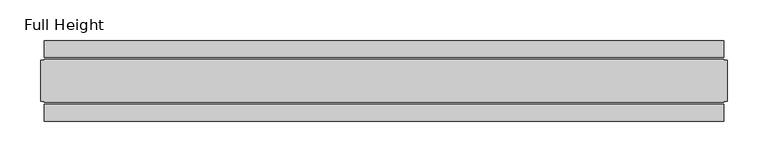
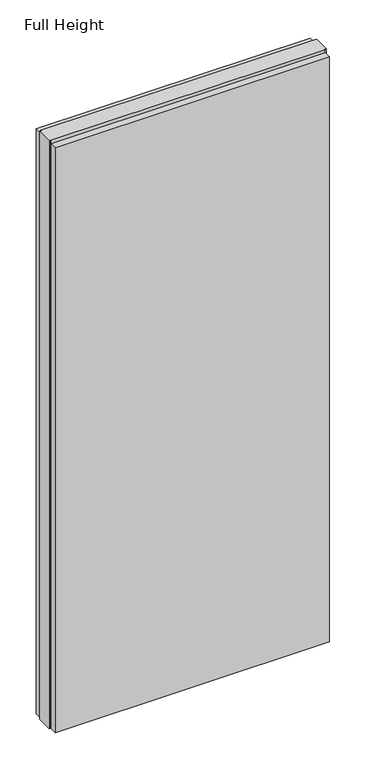
"""IFC4 building model written with IfcOpenShell, lengths in millimetres: plate geometry, Full Height."""

from ifc_helpers import new_model, si_unit, origin, origin_with_axes, place, context, project, spatial, polyline, outline, extrude, source, transform, mapped, element, save


def full_height_bb6631aa(model_context):
    return source(origin(), model_context, "Body", "SweptSolid", [
        extrude(outline(polyline([(418.4779086, -28.956), (418.4779086, -49.53), (-418.4779086, -49.53), (-418.4779086, -28.956), (418.4779086, -28.956)])), origin_with_axes(), (0.0, 0.0, 1.0), 1889.252),
        extrude(outline(polyline([(418.4779086, 28.956), (-418.4779086, 28.956), (-418.4779086, 49.53), (418.4779086, 49.53), (418.4779086, 28.956)])), origin_with_axes(), (0.0, 0.0, 1.0), 1889.252),
        extrude(outline(polyline([(418.4779086, 25.146), (423.0499086, 25.146), (423.0499086, -25.146), (418.4779086, -25.146), (418.4779086, -26.67), (-418.4779086, -26.67), (-418.4779086, -25.146), (-423.0499086, -25.146), (-423.0499086, 25.146), (-418.4779086, 25.146), (-418.4779086, 26.67), (418.4779086, 26.67), (418.4779086, 25.146)])), origin_with_axes(), (0.0, 0.0, 1.0), 1898.396),
    ])


if __name__ == "__main__":
    model = new_model("IFC4")
    model_context = context("Model", 3, world=origin())
    ifc_project = project(units=[si_unit("LENGTHUNIT", "METRE", prefix="MILLI")], contexts=[model_context])
    site = spatial("IfcSite", under=ifc_project)
    building = spatial("IfcBuilding", under=site)
    placement = place(None, origin())
    full_height_shape = full_height_bb6631aa(model_context)
    element("IfcPlate", 1, ObjectType="Full Height", at=placement, inside=building, context=model_context, shape_type="MappedRepresentation", body=[
        mapped(full_height_shape, transform((0.0, 0.0, 0.0), x_axis=(1.0, 0.0, 0.0), y_axis=(0.0, 1.0, 0.0), z_axis=(0.0, 0.0, 1.0))),
    ])
    save(model, "model.ifc")
